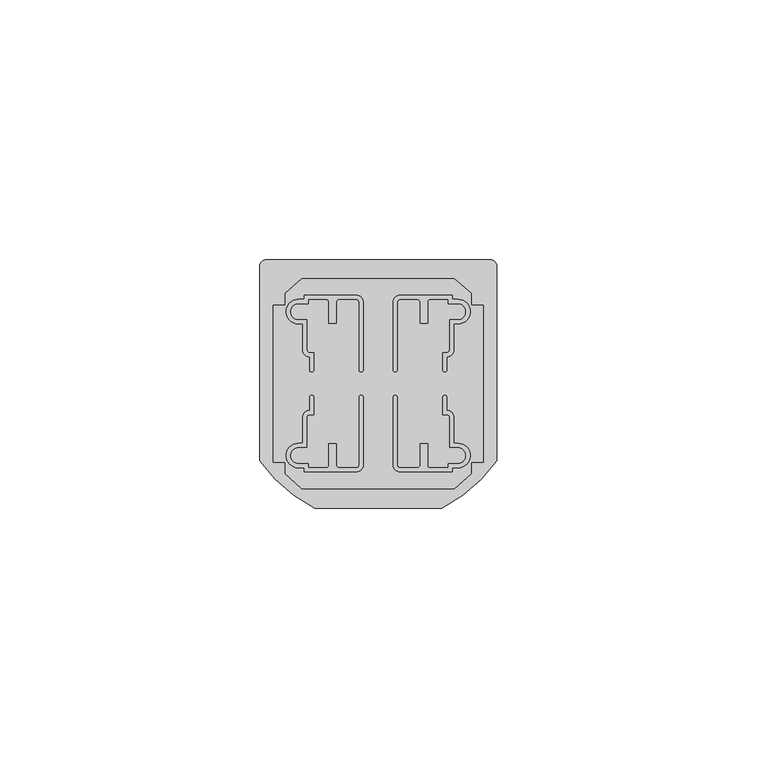
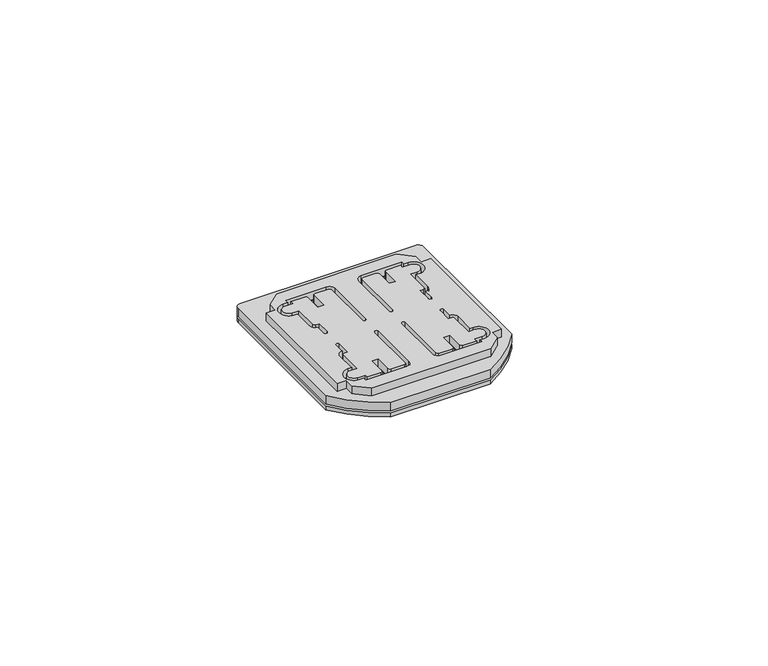
"""IFC4 building model written with IfcOpenShell, lengths in millimetres: proxy geometry."""

from ifc_helpers import new_model, si_unit, point, frame, frame_2d, origin, origin_with_axes, place, context, project, spatial, polyline, circle_curve, trimmed, segment, composite_curve, outline, extrude, source, transform, mapped, element, save


def electrical_fixtures_84e53c53(model_context):
    return source(origin(), model_context, "Body", "SweptSolid", [
        extrude(outline(composite_curve([segment(polyline([(0.9789013, 46.32347), (43.9976663, 46.32347)]), True, "CONTINUOUS"), segment(trimmed(circle_curve(frame_2d((43.9976663, 45.0249319)), 1.2985381), [point((43.9976663, 46.32347))], [point((45.2962044, 45.0249319))], False, "CARTESIAN"), True, "CONTINUOUS"), segment(polyline([(45.2962044, 45.0249319), (45.2962044, 7.6543811)]), True, "CONTINUOUS"), segment(trimmed(circle_curve(frame_2d((21.1903516, 24.8431667)), 29.6065278), [point((45.2962044, 7.6543811))], [point((34.7580096, -1.4715658))], False, "CARTESIAN"), True, "CONTINUOUS"), segment(polyline([(34.7580096, -1.4715658), (10.2419904, -1.4715658)]), True, "CONTINUOUS"), segment(trimmed(circle_curve(frame_2d((23.8096484, 24.8431667)), 29.6065278), [point((10.2419904, -1.4715658))], [point((-0.2962044, 7.6543811))], False, "CARTESIAN"), True, "CONTINUOUS"), segment(polyline([(-0.2962044, 7.6543811), (-0.2962044, 45.0483644)]), True, "CONTINUOUS"), segment(trimmed(circle_curve(frame_2d((0.9789013, 45.0483644)), 1.2751056), [point((-0.2962044, 45.0483644))], [point((0.9789013, 46.32347))], False, "CARTESIAN"), True, "CONTINUOUS")], self_intersect=False), holes=[composite_curve([segment(polyline([(8.223319, 5.5), (18.223319, 5.5)]), True, "CONTINUOUS"), segment(trimmed(circle_curve(frame_2d((18.223319, 6.873422)), 1.373422), [point((18.223319, 5.5))], [point((19.596741, 6.873422))], True, "CARTESIAN"), True, "CONTINUOUS"), segment(polyline([(19.596741, 6.873422), (19.596741, 19.8515221)]), True, "CONTINUOUS"), segment(trimmed(circle_curve(frame_2d((19.196741, 19.8515221)), 0.4), [point((19.596741, 19.8515221))], [point((18.796741, 19.8515221))], True, "CARTESIAN"), True, "CONTINUOUS"), segment(polyline([(18.796741, 19.8515221), (18.796741, 6.8108844)]), True, "CONTINUOUS"), segment(trimmed(circle_curve(frame_2d((18.2858566, 6.8108844)), 0.5108844), [point((18.796741, 6.8108844))], [point((18.2858566, 6.3))], False, "CARTESIAN"), True, "CONTINUOUS"), segment(polyline([(18.2858566, 6.3), (14.9445982, 6.3)]), True, "CONTINUOUS"), segment(trimmed(circle_curve(frame_2d((14.9445982, 6.8228572)), 0.5228572), [point((14.9445982, 6.3))], [point((14.421741, 6.8228572))], False, "CARTESIAN"), True, "CONTINUOUS"), segment(polyline([(14.421741, 6.8228572), (14.421741, 10.9015221), (12.996741, 10.9015221), (12.996741, 6.821406)]), True, "CONTINUOUS"), segment(trimmed(circle_curve(frame_2d((12.475335, 6.821406)), 0.521406), [point((12.996741, 6.821406))], [point((12.475335, 6.3))], False, "CARTESIAN"), True, "CONTINUOUS"), segment(polyline([(12.475335, 6.3), (9.023319, 6.3), (9.023319, 7.1), (7.1443079, 7.1)]), True, "CONTINUOUS"), segment(trimmed(circle_curve(frame_2d((7.1443079, 8.6530108)), 1.5530108), [point((7.1443079, 7.1))], [point((7.1443079, 10.2060216))], False, "CARTESIAN"), True, "CONTINUOUS"), segment(polyline([(7.1443079, 10.2060216), (8.746741, 10.2060216), (8.746741, 16.0060216)]), True, "CONTINUOUS"), segment(trimmed(circle_curve(frame_2d((9.2722489, 16.0060216)), 0.5255079), [point((8.746741, 16.0060216))], [point((9.2722489, 16.5315296))], False, "CARTESIAN"), True, "CONTINUOUS"), segment(polyline([(9.2722489, 16.5315296), (10.0722489, 16.5315296), (10.0722489, 19.8515221)]), True, "CONTINUOUS"), segment(trimmed(circle_curve(frame_2d((9.6722489, 19.8515221)), 0.4), [point((10.0722489, 19.8515221))], [point((9.2722489, 19.8515221))], True, "CARTESIAN"), True, "CONTINUOUS"), segment(polyline([(9.2722489, 19.8515221), (9.2722489, 17.3315296)]), True, "CONTINUOUS"), segment(trimmed(circle_curve(frame_2d((9.2722489, 16.0060216)), 1.3255079), [point((9.2722489, 17.3315296))], [point((7.946741, 16.0060216))], True, "CARTESIAN"), True, "CONTINUOUS"), segment(polyline([(7.946741, 16.0060216), (7.946741, 11.0060216), (7.1443079, 11.0060216)]), True, "CONTINUOUS"), segment(trimmed(circle_curve(frame_2d((7.1443079, 8.6530108)), 2.3530108), [point((7.1443079, 11.0060216))], [point((7.1443079, 6.3))], True, "CARTESIAN"), True, "CONTINUOUS"), segment(polyline([(7.1443079, 6.3), (8.223319, 6.3), (8.223319, 5.5)]), True, "CONTINUOUS")], self_intersect=False), composite_curve([segment(polyline([(12.996741, 38.178594), (12.996741, 34.0984779), (14.421741, 34.0984779), (14.421741, 38.1771428)]), True, "CONTINUOUS"), segment(trimmed(circle_curve(frame_2d((14.9445982, 38.1771428)), 0.5228572), [point((14.421741, 38.1771428))], [point((14.9445982, 38.7))], False, "CARTESIAN"), True, "CONTINUOUS"), segment(polyline([(14.9445982, 38.7), (18.2858566, 38.7)]), True, "CONTINUOUS"), segment(trimmed(circle_curve(frame_2d((18.2858566, 38.1891156)), 0.5108844), [point((18.2858566, 38.7))], [point((18.796741, 38.1891156))], False, "CARTESIAN"), True, "CONTINUOUS"), segment(polyline([(18.796741, 38.1891156), (18.796741, 25.1484779)]), True, "CONTINUOUS"), segment(trimmed(circle_curve(frame_2d((19.196741, 25.1484779)), 0.4), [point((18.796741, 25.1484779))], [point((19.596741, 25.1484779))], True, "CARTESIAN"), True, "CONTINUOUS"), segment(polyline([(19.596741, 25.1484779), (19.596741, 38.126578)]), True, "CONTINUOUS"), segment(trimmed(circle_curve(frame_2d((18.223319, 38.126578)), 1.373422), [point((19.596741, 38.126578))], [point((18.223319, 39.5))], True, "CARTESIAN"), True, "CONTINUOUS"), segment(polyline([(18.223319, 39.5), (8.223319, 39.5), (8.223319, 38.7), (7.1443079, 38.7)]), True, "CONTINUOUS"), segment(trimmed(circle_curve(frame_2d((7.1443079, 36.3469892)), 2.3530108), [point((7.1443079, 38.7))], [point((7.1443079, 33.9939784))], True, "CARTESIAN"), True, "CONTINUOUS"), segment(polyline([(7.1443079, 33.9939784), (7.946741, 33.9939784), (7.946741, 28.9939784)]), True, "CONTINUOUS"), segment(trimmed(circle_curve(frame_2d((9.2722489, 28.9939784)), 1.3255079), [point((7.946741, 28.9939784))], [point((9.2722489, 27.6684704))], True, "CARTESIAN"), True, "CONTINUOUS"), segment(polyline([(9.2722489, 27.6684704), (9.2722489, 25.1484779)]), True, "CONTINUOUS"), segment(trimmed(circle_curve(frame_2d((9.6722489, 25.1484779)), 0.4), [point((9.2722489, 25.1484779))], [point((10.0722489, 25.1484779))], True, "CARTESIAN"), True, "CONTINUOUS"), segment(polyline([(10.0722489, 25.1484779), (10.0722489, 28.4684704), (9.2722489, 28.4684704)]), True, "CONTINUOUS"), segment(trimmed(circle_curve(frame_2d((9.2722489, 28.9939784)), 0.5255079), [point((9.2722489, 28.4684704))], [point((8.746741, 28.9939784))], False, "CARTESIAN"), True, "CONTINUOUS"), segment(polyline([(8.746741, 28.9939784), (8.746741, 34.7939784), (7.1443079, 34.7939784)]), True, "CONTINUOUS"), segment(trimmed(circle_curve(frame_2d((7.1443079, 36.3469892)), 1.5530108), [point((7.1443079, 34.7939784))], [point((7.1443079, 37.9))], False, "CARTESIAN"), True, "CONTINUOUS"), segment(polyline([(7.1443079, 37.9), (9.023319, 37.9), (9.023319, 38.7), (12.475335, 38.7)]), True, "CONTINUOUS"), segment(trimmed(circle_curve(frame_2d((12.475335, 38.178594)), 0.521406), [point((12.475335, 38.7))], [point((12.996741, 38.178594))], False, "CARTESIAN"), True, "CONTINUOUS")], self_intersect=False), composite_curve([segment(polyline([(31.9798265, 6.821406), (31.9798265, 10.9015221), (30.5548265, 10.9015221), (30.5548265, 6.8228572)]), True, "CONTINUOUS"), segment(trimmed(circle_curve(frame_2d((30.0319693, 6.8228572)), 0.5228572), [point((30.5548265, 6.8228572))], [point((30.0319693, 6.3))], False, "CARTESIAN"), True, "CONTINUOUS"), segment(polyline([(30.0319693, 6.3), (26.6907109, 6.3)]), True, "CONTINUOUS"), segment(trimmed(circle_curve(frame_2d((26.6907109, 6.8108844)), 0.5108844), [point((26.6907109, 6.3))], [point((26.1798265, 6.8108844))], False, "CARTESIAN"), True, "CONTINUOUS"), segment(polyline([(26.1798265, 6.8108844), (26.1798265, 19.8515221)]), True, "CONTINUOUS"), segment(trimmed(circle_curve(frame_2d((25.7798265, 19.8515221)), 0.4), [point((26.1798265, 19.8515221))], [point((25.3798265, 19.8515221))], True, "CARTESIAN"), True, "CONTINUOUS"), segment(polyline([(25.3798265, 19.8515221), (25.3798265, 6.873422)]), True, "CONTINUOUS"), segment(trimmed(circle_curve(frame_2d((26.7532485, 6.873422)), 1.373422), [point((25.3798265, 6.873422))], [point((26.7532485, 5.5))], True, "CARTESIAN"), True, "CONTINUOUS"), segment(polyline([(26.7532485, 5.5), (36.7532485, 5.5), (36.7532485, 6.3), (37.8322596, 6.3)]), True, "CONTINUOUS"), segment(trimmed(circle_curve(frame_2d((37.8322596, 8.6530108)), 2.3530108), [point((37.8322596, 6.3))], [point((37.8322596, 11.0060216))], True, "CARTESIAN"), True, "CONTINUOUS"), segment(polyline([(37.8322596, 11.0060216), (37.0298265, 11.0060216), (37.0298265, 16.0060216)]), True, "CONTINUOUS"), segment(trimmed(circle_curve(frame_2d((35.7043186, 16.0060216)), 1.3255079), [point((37.0298265, 16.0060216))], [point((35.7043186, 17.3315296))], True, "CARTESIAN"), True, "CONTINUOUS"), segment(polyline([(35.7043186, 17.3315296), (35.7043186, 19.8515221)]), True, "CONTINUOUS"), segment(trimmed(circle_curve(frame_2d((35.3043186, 19.8515221)), 0.4), [point((35.7043186, 19.8515221))], [point((34.9043186, 19.8515221))], True, "CARTESIAN"), True, "CONTINUOUS"), segment(polyline([(34.9043186, 19.8515221), (34.9043186, 16.5315296), (35.7043186, 16.5315296)]), True, "CONTINUOUS"), segment(trimmed(circle_curve(frame_2d((35.7043186, 16.0060216)), 0.5255079), [point((35.7043186, 16.5315296))], [point((36.2298265, 16.0060216))], False, "CARTESIAN"), True, "CONTINUOUS"), segment(polyline([(36.2298265, 16.0060216), (36.2298265, 10.2060216), (37.8322596, 10.2060216)]), True, "CONTINUOUS"), segment(trimmed(circle_curve(frame_2d((37.8322596, 8.6530108)), 1.5530108), [point((37.8322596, 10.2060216))], [point((37.8322596, 7.1))], False, "CARTESIAN"), True, "CONTINUOUS"), segment(polyline([(37.8322596, 7.1), (35.9532485, 7.1), (35.9532485, 6.3), (32.5012325, 6.3)]), True, "CONTINUOUS"), segment(trimmed(circle_curve(frame_2d((32.5012325, 6.821406)), 0.521406), [point((32.5012325, 6.3))], [point((31.9798265, 6.821406))], False, "CARTESIAN"), True, "CONTINUOUS")], self_intersect=False), composite_curve([segment(trimmed(circle_curve(frame_2d((32.5012325, 38.178594)), 0.521406), [point((31.9798265, 38.178594))], [point((32.5012325, 38.7))], False, "CARTESIAN"), True, "CONTINUOUS"), segment(polyline([(32.5012325, 38.7), (35.9532485, 38.7), (35.9532485, 37.9), (37.8322596, 37.9)]), True, "CONTINUOUS"), segment(trimmed(circle_curve(frame_2d((37.8322596, 36.3469892)), 1.5530108), [point((37.8322596, 37.9))], [point((37.8322596, 34.7939784))], False, "CARTESIAN"), True, "CONTINUOUS"), segment(polyline([(37.8322596, 34.7939784), (36.2298265, 34.7939784), (36.2298265, 28.9939784)]), True, "CONTINUOUS"), segment(trimmed(circle_curve(frame_2d((35.7043186, 28.9939784)), 0.5255079), [point((36.2298265, 28.9939784))], [point((35.7043186, 28.4684704))], False, "CARTESIAN"), True, "CONTINUOUS"), segment(polyline([(35.7043186, 28.4684704), (34.9043186, 28.4684704), (34.9043186, 25.1484779)]), True, "CONTINUOUS"), segment(trimmed(circle_curve(frame_2d((35.3043186, 25.1484779)), 0.4), [point((34.9043186, 25.1484779))], [point((35.7043186, 25.1484779))], True, "CARTESIAN"), True, "CONTINUOUS"), segment(polyline([(35.7043186, 25.1484779), (35.7043186, 27.6684704)]), True, "CONTINUOUS"), segment(trimmed(circle_curve(frame_2d((35.7043186, 28.9939784)), 1.3255079), [point((35.7043186, 27.6684704))], [point((37.0298265, 28.9939784))], True, "CARTESIAN"), True, "CONTINUOUS"), segment(polyline([(37.0298265, 28.9939784), (37.0298265, 33.9939784), (37.8322596, 33.9939784)]), True, "CONTINUOUS"), segment(trimmed(circle_curve(frame_2d((37.8322596, 36.3469892)), 2.3530108), [point((37.8322596, 33.9939784))], [point((37.8322596, 38.7))], True, "CARTESIAN"), True, "CONTINUOUS"), segment(polyline([(37.8322596, 38.7), (36.7532485, 38.7), (36.7532485, 39.5), (26.7532485, 39.5)]), True, "CONTINUOUS"), segment(trimmed(circle_curve(frame_2d((26.7532485, 38.126578)), 1.373422), [point((26.7532485, 39.5))], [point((25.3798265, 38.126578))], True, "CARTESIAN"), True, "CONTINUOUS"), segment(polyline([(25.3798265, 38.126578), (25.3798265, 25.1484779)]), True, "CONTINUOUS"), segment(trimmed(circle_curve(frame_2d((25.7798265, 25.1484779)), 0.4), [point((25.3798265, 25.1484779))], [point((26.1798265, 25.1484779))], True, "CARTESIAN"), True, "CONTINUOUS"), segment(polyline([(26.1798265, 25.1484779), (26.1798265, 38.1891156)]), True, "CONTINUOUS"), segment(trimmed(circle_curve(frame_2d((26.6907109, 38.1891156)), 0.5108844), [point((26.1798265, 38.1891156))], [point((26.6907109, 38.7))], False, "CARTESIAN"), True, "CONTINUOUS"), segment(polyline([(26.6907109, 38.7), (30.0319693, 38.7)]), True, "CONTINUOUS"), segment(trimmed(circle_curve(frame_2d((30.0319693, 38.1771428)), 0.5228572), [point((30.0319693, 38.7))], [point((30.5548265, 38.1771428))], False, "CARTESIAN"), True, "CONTINUOUS"), segment(polyline([(30.5548265, 38.1771428), (30.5548265, 34.0984779), (31.9798265, 34.0984779), (31.9798265, 38.178594)]), True, "CONTINUOUS")], self_intersect=False)]), frame((0.0, 0.0, 1.4999955), z_axis=(0.0, 0.0, 1.0), x_axis=(1.0, 0.0, 0.0)), (0.0, 0.0, 1.0), 2.2117035),
        extrude(outline(polyline([(7.817513, 42.6965395), (37.1590546, 42.6965395), (40.3765675, 39.8746223), (40.3765675, 37.6), (42.6878119, 37.6), (42.6878119, 7.4), (40.3765675, 7.4), (40.3765675, 5.1253777), (37.1590546, 2.3034605), (7.817513, 2.3034605), (4.6, 5.1253777), (4.6, 7.4), (2.3121881, 7.4), (2.3121881, 37.6), (4.6, 37.6), (4.6, 39.8746223), (7.817513, 42.6965395)]), holes=[composite_curve([segment(polyline([(8.223319, 5.5), (18.223319, 5.5)]), True, "CONTINUOUS"), segment(trimmed(circle_curve(frame_2d((18.223319, 6.873422)), 1.373422), [point((18.223319, 5.5))], [point((19.596741, 6.873422))], True, "CARTESIAN"), True, "CONTINUOUS"), segment(polyline([(19.596741, 6.873422), (19.596741, 19.8515221)]), True, "CONTINUOUS"), segment(trimmed(circle_curve(frame_2d((19.196741, 19.8515221)), 0.4), [point((19.596741, 19.8515221))], [point((18.796741, 19.8515221))], True, "CARTESIAN"), True, "CONTINUOUS"), segment(polyline([(18.796741, 19.8515221), (18.796741, 6.8108844)]), True, "CONTINUOUS"), segment(trimmed(circle_curve(frame_2d((18.2858566, 6.8108844)), 0.5108844), [point((18.796741, 6.8108844))], [point((18.2858566, 6.3))], False, "CARTESIAN"), True, "CONTINUOUS"), segment(polyline([(18.2858566, 6.3), (14.9445982, 6.3)]), True, "CONTINUOUS"), segment(trimmed(circle_curve(frame_2d((14.9445982, 6.8228572)), 0.5228572), [point((14.9445982, 6.3))], [point((14.421741, 6.8228572))], False, "CARTESIAN"), True, "CONTINUOUS"), segment(polyline([(14.421741, 6.8228572), (14.421741, 10.9015221), (12.996741, 10.9015221), (12.996741, 6.821406)]), True, "CONTINUOUS"), segment(trimmed(circle_curve(frame_2d((12.475335, 6.821406)), 0.521406), [point((12.996741, 6.821406))], [point((12.475335, 6.3))], False, "CARTESIAN"), True, "CONTINUOUS"), segment(polyline([(12.475335, 6.3), (9.023319, 6.3), (9.023319, 7.1), (7.1443079, 7.1)]), True, "CONTINUOUS"), segment(trimmed(circle_curve(frame_2d((7.1443079, 8.6530108)), 1.5530108), [point((7.1443079, 7.1))], [point((7.1443079, 10.2060216))], False, "CARTESIAN"), True, "CONTINUOUS"), segment(polyline([(7.1443079, 10.2060216), (8.746741, 10.2060216), (8.746741, 16.0060216)]), True, "CONTINUOUS"), segment(trimmed(circle_curve(frame_2d((9.2722489, 16.0060216)), 0.5255079), [point((8.746741, 16.0060216))], [point((9.2722489, 16.5315296))], False, "CARTESIAN"), True, "CONTINUOUS"), segment(polyline([(9.2722489, 16.5315296), (10.0722489, 16.5315296), (10.0722489, 19.8515221)]), True, "CONTINUOUS"), segment(trimmed(circle_curve(frame_2d((9.6722489, 19.8515221)), 0.4), [point((10.0722489, 19.8515221))], [point((9.2722489, 19.8515221))], True, "CARTESIAN"), True, "CONTINUOUS"), segment(polyline([(9.2722489, 19.8515221), (9.2722489, 17.3315296)]), True, "CONTINUOUS"), segment(trimmed(circle_curve(frame_2d((9.2722489, 16.0060216)), 1.3255079), [point((9.2722489, 17.3315296))], [point((7.946741, 16.0060216))], True, "CARTESIAN"), True, "CONTINUOUS"), segment(polyline([(7.946741, 16.0060216), (7.946741, 11.0060216), (7.1443079, 11.0060216)]), True, "CONTINUOUS"), segment(trimmed(circle_curve(frame_2d((7.1443079, 8.6530108)), 2.3530108), [point((7.1443079, 11.0060216))], [point((7.1443079, 6.3))], True, "CARTESIAN"), True, "CONTINUOUS"), segment(polyline([(7.1443079, 6.3), (8.223319, 6.3), (8.223319, 5.5)]), True, "CONTINUOUS")], self_intersect=False), composite_curve([segment(polyline([(12.996741, 38.178594), (12.996741, 34.0984779), (14.421741, 34.0984779), (14.421741, 38.1771428)]), True, "CONTINUOUS"), segment(trimmed(circle_curve(frame_2d((14.9445982, 38.1771428)), 0.5228572), [point((14.421741, 38.1771428))], [point((14.9445982, 38.7))], False, "CARTESIAN"), True, "CONTINUOUS"), segment(polyline([(14.9445982, 38.7), (18.2858566, 38.7)]), True, "CONTINUOUS"), segment(trimmed(circle_curve(frame_2d((18.2858566, 38.1891156)), 0.5108844), [point((18.2858566, 38.7))], [point((18.796741, 38.1891156))], False, "CARTESIAN"), True, "CONTINUOUS"), segment(polyline([(18.796741, 38.1891156), (18.796741, 25.1484779)]), True, "CONTINUOUS"), segment(trimmed(circle_curve(frame_2d((19.196741, 25.1484779)), 0.4), [point((18.796741, 25.1484779))], [point((19.596741, 25.1484779))], True, "CARTESIAN"), True, "CONTINUOUS"), segment(polyline([(19.596741, 25.1484779), (19.596741, 38.126578)]), True, "CONTINUOUS"), segment(trimmed(circle_curve(frame_2d((18.223319, 38.126578)), 1.373422), [point((19.596741, 38.126578))], [point((18.223319, 39.5))], True, "CARTESIAN"), True, "CONTINUOUS"), segment(polyline([(18.223319, 39.5), (8.223319, 39.5), (8.223319, 38.7), (7.1443079, 38.7)]), True, "CONTINUOUS"), segment(trimmed(circle_curve(frame_2d((7.1443079, 36.3469892)), 2.3530108), [point((7.1443079, 38.7))], [point((7.1443079, 33.9939784))], True, "CARTESIAN"), True, "CONTINUOUS"), segment(polyline([(7.1443079, 33.9939784), (7.946741, 33.9939784), (7.946741, 28.9939784)]), True, "CONTINUOUS"), segment(trimmed(circle_curve(frame_2d((9.2722489, 28.9939784)), 1.3255079), [point((7.946741, 28.9939784))], [point((9.2722489, 27.6684704))], True, "CARTESIAN"), True, "CONTINUOUS"), segment(polyline([(9.2722489, 27.6684704), (9.2722489, 25.1484779)]), True, "CONTINUOUS"), segment(trimmed(circle_curve(frame_2d((9.6722489, 25.1484779)), 0.4), [point((9.2722489, 25.1484779))], [point((10.0722489, 25.1484779))], True, "CARTESIAN"), True, "CONTINUOUS"), segment(polyline([(10.0722489, 25.1484779), (10.0722489, 28.4684704), (9.2722489, 28.4684704)]), True, "CONTINUOUS"), segment(trimmed(circle_curve(frame_2d((9.2722489, 28.9939784)), 0.5255079), [point((9.2722489, 28.4684704))], [point((8.746741, 28.9939784))], False, "CARTESIAN"), True, "CONTINUOUS"), segment(polyline([(8.746741, 28.9939784), (8.746741, 34.7939784), (7.1443079, 34.7939784)]), True, "CONTINUOUS"), segment(trimmed(circle_curve(frame_2d((7.1443079, 36.3469892)), 1.5530108), [point((7.1443079, 34.7939784))], [point((7.1443079, 37.9))], False, "CARTESIAN"), True, "CONTINUOUS"), segment(polyline([(7.1443079, 37.9), (9.023319, 37.9), (9.023319, 38.7), (12.475335, 38.7)]), True, "CONTINUOUS"), segment(trimmed(circle_curve(frame_2d((12.475335, 38.178594)), 0.521406), [point((12.475335, 38.7))], [point((12.996741, 38.178594))], False, "CARTESIAN"), True, "CONTINUOUS")], self_intersect=False), composite_curve([segment(polyline([(31.9798265, 6.821406), (31.9798265, 10.9015221), (30.5548265, 10.9015221), (30.5548265, 6.8228572)]), True, "CONTINUOUS"), segment(trimmed(circle_curve(frame_2d((30.0319693, 6.8228572)), 0.5228572), [point((30.5548265, 6.8228572))], [point((30.0319693, 6.3))], False, "CARTESIAN"), True, "CONTINUOUS"), segment(polyline([(30.0319693, 6.3), (26.6907109, 6.3)]), True, "CONTINUOUS"), segment(trimmed(circle_curve(frame_2d((26.6907109, 6.8108844)), 0.5108844), [point((26.6907109, 6.3))], [point((26.1798265, 6.8108844))], False, "CARTESIAN"), True, "CONTINUOUS"), segment(polyline([(26.1798265, 6.8108844), (26.1798265, 19.8515221)]), True, "CONTINUOUS"), segment(trimmed(circle_curve(frame_2d((25.7798265, 19.8515221)), 0.4), [point((26.1798265, 19.8515221))], [point((25.3798265, 19.8515221))], True, "CARTESIAN"), True, "CONTINUOUS"), segment(polyline([(25.3798265, 19.8515221), (25.3798265, 6.873422)]), True, "CONTINUOUS"), segment(trimmed(circle_curve(frame_2d((26.7532485, 6.873422)), 1.373422), [point((25.3798265, 6.873422))], [point((26.7532485, 5.5))], True, "CARTESIAN"), True, "CONTINUOUS"), segment(polyline([(26.7532485, 5.5), (36.7532485, 5.5), (36.7532485, 6.3), (37.8322596, 6.3)]), True, "CONTINUOUS"), segment(trimmed(circle_curve(frame_2d((37.8322596, 8.6530108)), 2.3530108), [point((37.8322596, 6.3))], [point((37.8322596, 11.0060216))], True, "CARTESIAN"), True, "CONTINUOUS"), segment(polyline([(37.8322596, 11.0060216), (37.0298265, 11.0060216), (37.0298265, 16.0060216)]), True, "CONTINUOUS"), segment(trimmed(circle_curve(frame_2d((35.7043186, 16.0060216)), 1.3255079), [point((37.0298265, 16.0060216))], [point((35.7043186, 17.3315296))], True, "CARTESIAN"), True, "CONTINUOUS"), segment(polyline([(35.7043186, 17.3315296), (35.7043186, 19.8515221)]), True, "CONTINUOUS"), segment(trimmed(circle_curve(frame_2d((35.3043186, 19.8515221)), 0.4), [point((35.7043186, 19.8515221))], [point((34.9043186, 19.8515221))], True, "CARTESIAN"), True, "CONTINUOUS"), segment(polyline([(34.9043186, 19.8515221), (34.9043186, 16.5315296), (35.7043186, 16.5315296)]), True, "CONTINUOUS"), segment(trimmed(circle_curve(frame_2d((35.7043186, 16.0060216)), 0.5255079), [point((35.7043186, 16.5315296))], [point((36.2298265, 16.0060216))], False, "CARTESIAN"), True, "CONTINUOUS"), segment(polyline([(36.2298265, 16.0060216), (36.2298265, 10.2060216), (37.8322596, 10.2060216)]), True, "CONTINUOUS"), segment(trimmed(circle_curve(frame_2d((37.8322596, 8.6530108)), 1.5530108), [point((37.8322596, 10.2060216))], [point((37.8322596, 7.1))], False, "CARTESIAN"), True, "CONTINUOUS"), segment(polyline([(37.8322596, 7.1), (35.9532485, 7.1), (35.9532485, 6.3), (32.5012325, 6.3)]), True, "CONTINUOUS"), segment(trimmed(circle_curve(frame_2d((32.5012325, 6.821406)), 0.521406), [point((32.5012325, 6.3))], [point((31.9798265, 6.821406))], False, "CARTESIAN"), True, "CONTINUOUS")], self_intersect=False), composite_curve([segment(trimmed(circle_curve(frame_2d((32.5012325, 38.178594)), 0.521406), [point((31.9798265, 38.178594))], [point((32.5012325, 38.7))], False, "CARTESIAN"), True, "CONTINUOUS"), segment(polyline([(32.5012325, 38.7), (35.9532485, 38.7), (35.9532485, 37.9), (37.8322596, 37.9)]), True, "CONTINUOUS"), segment(trimmed(circle_curve(frame_2d((37.8322596, 36.3469892)), 1.5530108), [point((37.8322596, 37.9))], [point((37.8322596, 34.7939784))], False, "CARTESIAN"), True, "CONTINUOUS"), segment(polyline([(37.8322596, 34.7939784), (36.2298265, 34.7939784), (36.2298265, 28.9939784)]), True, "CONTINUOUS"), segment(trimmed(circle_curve(frame_2d((35.7043186, 28.9939784)), 0.5255079), [point((36.2298265, 28.9939784))], [point((35.7043186, 28.4684704))], False, "CARTESIAN"), True, "CONTINUOUS"), segment(polyline([(35.7043186, 28.4684704), (34.9043186, 28.4684704), (34.9043186, 25.1484779)]), True, "CONTINUOUS"), segment(trimmed(circle_curve(frame_2d((35.3043186, 25.1484779)), 0.4), [point((34.9043186, 25.1484779))], [point((35.7043186, 25.1484779))], True, "CARTESIAN"), True, "CONTINUOUS"), segment(polyline([(35.7043186, 25.1484779), (35.7043186, 27.6684704)]), True, "CONTINUOUS"), segment(trimmed(circle_curve(frame_2d((35.7043186, 28.9939784)), 1.3255079), [point((35.7043186, 27.6684704))], [point((37.0298265, 28.9939784))], True, "CARTESIAN"), True, "CONTINUOUS"), segment(polyline([(37.0298265, 28.9939784), (37.0298265, 33.9939784), (37.8322596, 33.9939784)]), True, "CONTINUOUS"), segment(trimmed(circle_curve(frame_2d((37.8322596, 36.3469892)), 2.3530108), [point((37.8322596, 33.9939784))], [point((37.8322596, 38.7))], True, "CARTESIAN"), True, "CONTINUOUS"), segment(polyline([(37.8322596, 38.7), (36.7532485, 38.7), (36.7532485, 39.5), (26.7532485, 39.5)]), True, "CONTINUOUS"), segment(trimmed(circle_curve(frame_2d((26.7532485, 38.126578)), 1.373422), [point((26.7532485, 39.5))], [point((25.3798265, 38.126578))], True, "CARTESIAN"), True, "CONTINUOUS"), segment(polyline([(25.3798265, 38.126578), (25.3798265, 25.1484779)]), True, "CONTINUOUS"), segment(trimmed(circle_curve(frame_2d((25.7798265, 25.1484779)), 0.4), [point((25.3798265, 25.1484779))], [point((26.1798265, 25.1484779))], True, "CARTESIAN"), True, "CONTINUOUS"), segment(polyline([(26.1798265, 25.1484779), (26.1798265, 38.1891156)]), True, "CONTINUOUS"), segment(trimmed(circle_curve(frame_2d((26.6907109, 38.1891156)), 0.5108844), [point((26.1798265, 38.1891156))], [point((26.6907109, 38.7))], False, "CARTESIAN"), True, "CONTINUOUS"), segment(polyline([(26.6907109, 38.7), (30.0319693, 38.7)]), True, "CONTINUOUS"), segment(trimmed(circle_curve(frame_2d((30.0319693, 38.1771428)), 0.5228572), [point((30.0319693, 38.7))], [point((30.5548265, 38.1771428))], False, "CARTESIAN"), True, "CONTINUOUS"), segment(polyline([(30.5548265, 38.1771428), (30.5548265, 34.0984779), (31.9798265, 34.0984779), (31.9798265, 38.178594)]), True, "CONTINUOUS")], self_intersect=False)]), frame((0.0, 0.0, 3.711699), z_axis=(0.0, 0.0, 1.0), x_axis=(1.0, 0.0, 0.0)), (0.0, 0.0, 1.0), 2.3265942),
        extrude(outline(composite_curve([segment(polyline([(0.9789013, 46.32347), (43.9976663, 46.32347)]), True, "CONTINUOUS"), segment(trimmed(circle_curve(frame_2d((43.9976663, 45.0249319)), 1.2985381), [point((43.9976663, 46.32347))], [point((45.2962044, 45.0249319))], False, "CARTESIAN"), True, "CONTINUOUS"), segment(polyline([(45.2962044, 45.0249319), (45.2962044, 7.6543811)]), True, "CONTINUOUS"), segment(trimmed(circle_curve(frame_2d((21.1903516, 24.8431667)), 29.6065278), [point((45.2962044, 7.6543811))], [point((34.7580096, -1.4715658))], False, "CARTESIAN"), True, "CONTINUOUS"), segment(polyline([(34.7580096, -1.4715658), (10.2419904, -1.4715658)]), True, "CONTINUOUS"), segment(trimmed(circle_curve(frame_2d((23.8096484, 24.8431667)), 29.6065278), [point((10.2419904, -1.4715658))], [point((-0.2962044, 7.6543811))], False, "CARTESIAN"), True, "CONTINUOUS"), segment(polyline([(-0.2962044, 7.6543811), (-0.2962044, 45.0483644)]), True, "CONTINUOUS"), segment(trimmed(circle_curve(frame_2d((0.9789013, 45.0483644)), 1.2751056), [point((-0.2962044, 45.0483644))], [point((0.9789013, 46.32347))], False, "CARTESIAN"), True, "CONTINUOUS")], self_intersect=False)), origin_with_axes(), (0.0, 0.0, 1.0), 1.0),
    ])


if __name__ == "__main__":
    model = new_model("IFC4")
    model_context = context("Model", 3, world=origin())
    ifc_project = project(units=[si_unit("LENGTHUNIT", "METRE", prefix="MILLI")], contexts=[model_context])
    site = spatial("IfcSite", under=ifc_project)
    building = spatial("IfcBuilding", under=site)
    placement = place(None, origin())
    electrical_fixtures_shape = electrical_fixtures_84e53c53(model_context)
    element("IfcBuildingElementProxy", 1, Name="Electrical Fixtures", at=placement, inside=building, context=model_context, shape_type="MappedRepresentation", body=[
        mapped(electrical_fixtures_shape, transform((0.0, 0.0, 0.0), x_axis=(1.0, 0.0, 0.0), y_axis=(0.0, 1.0, 0.0), z_axis=(0.0, 0.0, 1.0))),
    ])
    save(model, "model.ifc")
